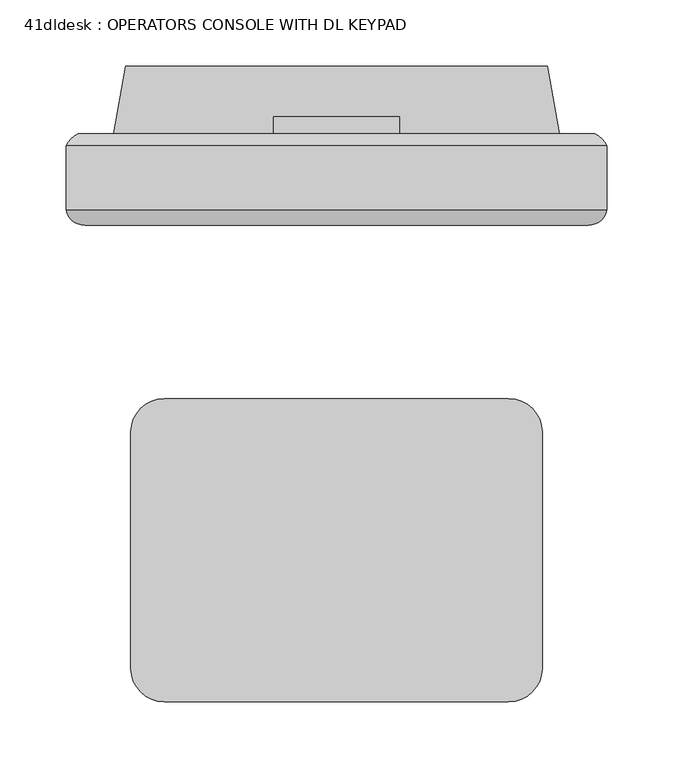
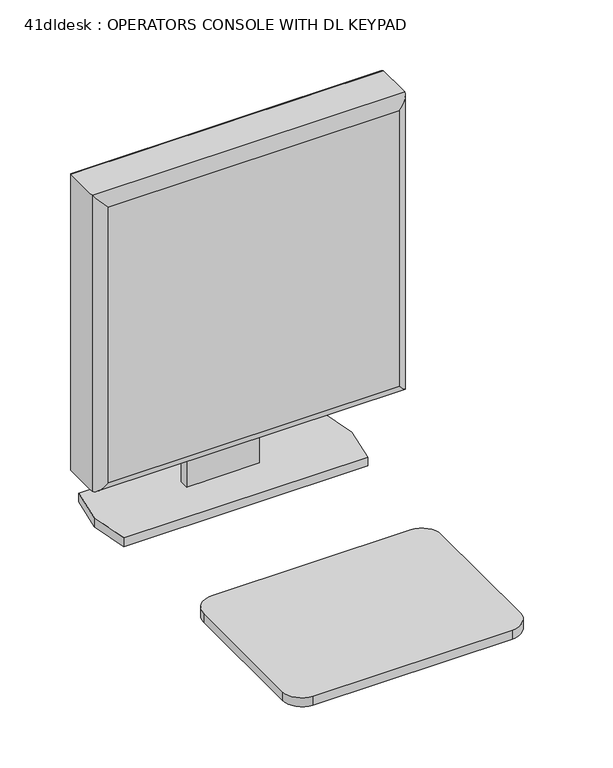
"""IFC4 building model written with IfcOpenShell, lengths in millimetres: proxy geometry, 41dldesk : OPERATORS CONSOLE WITH DL KEYPAD."""

from ifc_helpers import new_model, si_unit, point, frame, frame_2d, origin, place, context, project, spatial, polyline, circle_curve, ellipse_curve, trimmed, segment, composite_curve, outline, extrude, source, transform, mapped, element, save
from ifc_brep_helpers import plane_surface, cylinder_surface, advanced_brep


def proxy_41dldesk_operators_console_with_dl_keypad_3598a06d(model_context):
    return source(origin(), model_context, "Body", "SolidModel", [
        advanced_brep(
        [(59.2673539, 266.6255441, 1419.86), (59.2673539, 223.4948635, 1419.86), (59.2673539, 218.4978207, 1419.86), (468.2073539, 218.4978207, 1419.86), (468.2073539, 223.4948635, 1419.86), (468.2073539, 266.6255441, 1419.86), (468.2073539, 266.6255441, 1010.2963264), (468.2073539, 223.4948635, 1010.2963264), (468.2073539, 218.4978207, 1010.2963264), (59.2673539, 218.4978207, 1010.2963264), (59.2673539, 223.4948635, 1010.2963264), (59.2673539, 266.6255441, 1010.2963264), (68.5049899, 275.8631801, 1019.5339624), (68.5049899, 275.8631801, 1410.622364), (458.969718, 275.8631801, 1410.622364), (458.969718, 275.8631801, 1019.5339624), (73.4315146, 206.6135032, 1405.694569), (73.4315146, 206.6135032, 1024.4617574), (454.0419229, 206.6135032, 1024.460487), (454.0431933, 206.6135032, 1405.694569)],
        [
            (0, 1),
            (1, 2),
            (2, 3),
            (3, 4),
            (4, 5),
            (5, 0),
            (6, 7),
            (7, 8),
            (8, 9),
            (9, 10),
            (10, 11),
            (11, 6),
            (12, 13),
            (13, 14),
            (14, 15),
            (15, 12),
            (0, 11),
            (9, 2),
            (16, 17),
            (17, 18),
            (18, 19),
            (19, 16),
            (3, 8),
            (6, 5),
            (12, 11, ellipse_curve(frame((75.3820422, 259.7484918, 1026.4110147), z_axis=(-0.7071067811865452, 0.0, 0.7071067811865498), x_axis=(-0.7071067811865498, 0.0, -0.7071067811865452)), 24.7780962, 17.5207599)),
            (0, 13, ellipse_curve(frame((75.3820422, 259.7484918, 1403.7453117), z_axis=(-0.7071067811865498, 0.0, -0.7071067811865452), x_axis=(0.7071067811865452, 0.0, -0.7071067811865498)), 24.7780962, 17.5207599)),
            (16, 2, ellipse_curve(frame((73.4315146, 220.9963421, 1405.6958394), z_axis=(-0.7071067811865498, 0.0, -0.7071067811865452), x_axis=(0.7071067811865452, 0.0, -0.7071067811865498)), 20.3404059, 14.3828389)),
            (9, 17, ellipse_curve(frame((73.4315146, 220.9963421, 1024.460487), z_axis=(-0.7071067811865452, 0.0, 0.7071067811865498), x_axis=(-0.7071067811865498, 0.0, -0.7071067811865452)), 20.3404059, 14.3828389)),
            (15, 6, ellipse_curve(frame((452.0926657, 259.7484918, 1026.4110147), z_axis=(-0.7071067811865498, 0.0, -0.7071067811865452), x_axis=(0.7071067811865452, 0.0, -0.7071067811865497)), 24.7780962, 17.5207599)),
            (8, 18, ellipse_curve(frame((454.0431933, 220.9963421, 1024.460487), z_axis=(-0.7071067811865498, 0.0, -0.7071067811865452), x_axis=(0.7071067811865452, 0.0, -0.7071067811865497)), 20.3404059, 14.3828389)),
            (14, 5, ellipse_curve(frame((452.0926657, 259.7484918, 1403.7453117), z_axis=(0.7071067811865452, 0.0, -0.7071067811865498), x_axis=(0.7071067811865498, 0.0, 0.7071067811865452)), 24.7780962, 17.5207599)),
            (3, 19, ellipse_curve(frame((454.0431933, 220.9963421, 1405.6958394), z_axis=(0.7071067811865452, 0.0, -0.7071067811865498), x_axis=(0.7071067811865498, 0.0, 0.7071067811865452)), 20.3404059, 14.3828389)),
        ],
        [
            plane_surface(frame((64.3473539, 275.8631801, 1419.86), z_axis=(0.0, 0.0, 1.0), x_axis=(-1.0, 0.0, 0.0))),
            plane_surface(frame((64.3473539, 275.8631801, 1010.2963264), z_axis=(0.0, 0.0, -1.0), x_axis=(1.0, 0.0, 0.0))),
            plane_surface(frame((468.2073539, 275.8631801, 1419.86), z_axis=(0.0, 1.0, 0.0), x_axis=(0.0, 0.0, -1.0))),
            plane_surface(frame((59.2673539, 275.8631801, 1419.86), z_axis=(-1.0, 0.0, 0.0), x_axis=(0.0, 0.0, -1.0))),
            plane_surface(frame((59.2673539, 206.6135032, 1419.86), z_axis=(0.0, -1.0, 0.0), x_axis=(0.0, 0.0, -1.0))),
            plane_surface(frame((468.2073539, 206.6135032, 1419.86), z_axis=(1.0, 0.0, 0.0), x_axis=(0.0, 0.0, -1.0))),
            cylinder_surface(frame((75.3820422, 259.7484918, 1419.86), z_axis=(0.0, 0.0, -1.0), x_axis=(0.0, 1.0, 0.0)), 17.5207599),
            cylinder_surface(frame((73.4315146, 220.9963421, 1419.86), z_axis=(0.0, 0.0, -1.0), x_axis=(0.0, 1.0, 0.0)), 14.3828389),
            cylinder_surface(frame((59.2673539, 259.7484918, 1026.4110147), z_axis=(1.0, 0.0, 0.0), x_axis=(0.0, 1.0, 0.0)), 17.5207599),
            cylinder_surface(frame((59.2673539, 220.9963421, 1024.460487), z_axis=(1.0, 0.0, 0.0), x_axis=(0.0, 1.0, 0.0)), 14.3828389),
            cylinder_surface(frame((452.0926657, 259.7484918, 1010.2963264), z_axis=(0.0, 0.0, 1.0), x_axis=(0.0, 1.0, 0.0)), 17.5207599),
            cylinder_surface(frame((454.0431933, 220.9963421, 1010.2963264), z_axis=(0.0, 0.0, 1.0), x_axis=(0.0, 1.0, 0.0)), 14.3828389),
            cylinder_surface(frame((468.2073539, 259.7484918, 1403.7453117), z_axis=(-1.0, 0.0, 0.0), x_axis=(0.0, 1.0, 0.0)), 17.5207599),
            cylinder_surface(frame((468.2073539, 220.9963421, 1405.6958394), z_axis=(-1.0, 0.0, 0.0), x_axis=(0.0, 1.0, 0.0)), 14.3828389),
        ],
        [
            (0, [[1, 2, 3, 4, 5, 6]]),
            (1, [[7, 8, 9, 10, 11, 12]]),
            (2, [[13, 14, 15, 16]]),
            (3, [[-1, 17, -11, -10, 18, -2]]),
            (4, [[19, 20, 21, 22]]),
            (5, [[-5, -4, 23, -8, -7, 24]]),
            (6, [[25, -17, 26, -13]]),
            (7, [[27, -18, 28, -19]]),
            (8, [[-25, -16, 29, -12]]),
            (9, [[30, -20, -28, -9]]),
            (10, [[-29, -15, 31, -24]]),
            (11, [[32, -21, -30, -23]]),
            (12, [[-26, -6, -31, -14]]),
            (13, [[-27, -22, -32, -3]]),
        ],
    ),
        extrude(outline(polyline([(84.6673539, 212.5272823), (442.8073539, 212.5272823), (442.8073539, 206.6135032), (84.6673539, 206.6135032), (84.6673539, 212.5272823)])), frame((0.0, 0.0, 1035.6963264), z_axis=(0.0, 0.0, 1.0), x_axis=(1.0, 0.0, 0.0)), (0.0, 0.0, 1.0), 358.7636736),
        extrude(outline(polyline([(275.8631801, 1236.2794056), (288.5443513, 1236.2794056), (288.5443513, 926.6153731), (275.8631801, 926.6153731), (275.8631801, 1006.8339624), (278.6004125, 1006.8339624), (278.6004125, 1019.5339624), (275.8631801, 1019.5339624), (275.8631801, 1236.2794056)])), frame((216.1123539, 0.0, 0.0), z_axis=(1.0, 0.0, 0.0), x_axis=(0.0, 1.0, 0.0)), (0.0, 0.0, 1.0), 95.25),
        extrude(outline(polyline([(95.0813539, 275.8631801), (104.2253539, 326.9171801), (423.2493539, 326.9171801), (432.3933539, 275.8631801), (423.2493539, 224.8091801), (104.2253539, 224.8091801), (95.0813539, 275.8631801)])), frame((0.0, 0.0, 914.4), z_axis=(0.0, 0.0, 1.0), x_axis=(1.0, 0.0, 0.0)), (0.0, 0.0, 1.0), 12.2153731),
        extrude(outline(composite_curve([segment(trimmed(circle_curve(frame_2d((393.9122527, 50.3880215)), 25.4), [point((393.9123539, 75.7880215))], [point((419.3122527, 50.3879203))], False, "CARTESIAN"), True, "CONTINUOUS"), segment(polyline([(419.3122527, 50.3879203), (419.3115418, -127.9857944)]), True, "CONTINUOUS"), segment(trimmed(circle_curve(frame_2d((393.9115418, -127.9856931)), 25.4), [point((419.3115418, -127.9857944))], [point((393.9114406, -153.3856931))], False, "CARTESIAN"), True, "CONTINUOUS"), segment(polyline([(393.9114406, -153.3856931), (133.5614406, -153.3846555)]), True, "CONTINUOUS"), segment(trimmed(circle_curve(frame_2d((133.5615418, -127.9846555)), 25.4), [point((133.5614406, -153.3846555))], [point((108.1615418, -127.9845543))], False, "CARTESIAN"), True, "CONTINUOUS"), segment(polyline([(108.1615418, -127.9845543), (108.1622527, 50.3891604)]), True, "CONTINUOUS"), segment(trimmed(circle_curve(frame_2d((133.5622527, 50.3890591)), 25.4), [point((108.1622527, 50.3891604))], [point((133.5623539, 75.7890591))], False, "CARTESIAN"), True, "CONTINUOUS"), segment(polyline([(133.5623539, 75.7890591), (393.9123539, 75.7880215)]), True, "CONTINUOUS")], self_intersect=False)), frame((0.0, 0.0, 914.4), z_axis=(0.0, 0.0, 1.0), x_axis=(1.0, 0.0, 0.0)), (0.0, 0.0, 1.0), 12.2153731),
    ])


if __name__ == "__main__":
    model = new_model("IFC4")
    model_context = context("Model", 3, world=origin())
    ifc_project = project(units=[si_unit("LENGTHUNIT", "METRE", prefix="MILLI")], contexts=[model_context])
    site = spatial("IfcSite", under=ifc_project)
    building = spatial("IfcBuilding", under=site)
    placement = place(None, origin())
    proxy_41dldesk_operators_console_with_dl_keypad_shape = proxy_41dldesk_operators_console_with_dl_keypad_3598a06d(model_context)
    element("IfcBuildingElementProxy", 1, Name="41dldesk : OPERATORS CONSOLE WITH DL KEYPAD", ObjectType="41dldesk : OPERATORS CONSOLE WITH DL KEYPAD", at=placement, inside=building, context=model_context, shape_type="MappedRepresentation", body=[
        mapped(proxy_41dldesk_operators_console_with_dl_keypad_shape, transform((0.0, 0.0, 0.0), x_axis=(1.0, 0.0, 0.0), y_axis=(0.0, 1.0, 0.0), z_axis=(0.0, 0.0, 1.0))),
    ])
    save(model, "model.ifc")
